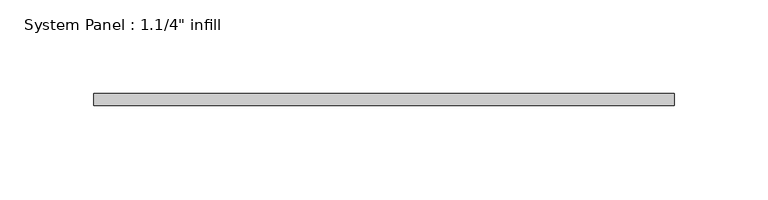
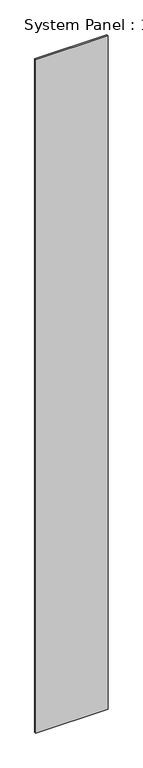
"""IFC4 building model written with IfcOpenShell, lengths in millimetres: plate geometry."""

from ifc_helpers import new_model, si_unit, origin, origin_with_axes, place, context, project, spatial, polyline, outline, extrude, source, transform, mapped, element, save


def plate_96d8e25e(model_context):
    return source(origin(), model_context, "Body", "SweptSolid", [
        extrude(outline(polyline([(154.9331312, -6.2507813), (-154.9331312, -6.2507813), (-154.9331312, 0.0992187), (154.9331312, 0.0992187), (154.9331312, -6.2507813)])), origin_with_axes(), (0.0, 0.0, 1.0), 3048.0),
    ])


if __name__ == "__main__":
    model = new_model("IFC4")
    model_context = context("Model", 3, world=origin())
    ifc_project = project(units=[si_unit("LENGTHUNIT", "METRE", prefix="MILLI")], contexts=[model_context])
    site = spatial("IfcSite", under=ifc_project)
    building = spatial("IfcBuilding", under=site)
    placement = place(None, origin())
    plate_shape = plate_96d8e25e(model_context)
    element("IfcPlate", 1, ObjectType="System Panel : 1.1/4\" infill", at=placement, inside=building, context=model_context, shape_type="MappedRepresentation", body=[
        mapped(plate_shape, transform((0.0, 0.0, 0.0), x_axis=(1.0, 0.0, 0.0), y_axis=(0.0, 1.0, 0.0), z_axis=(0.0, 0.0, 1.0))),
    ])
    save(model, "model.ifc")
